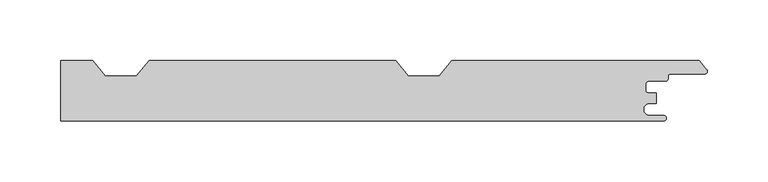
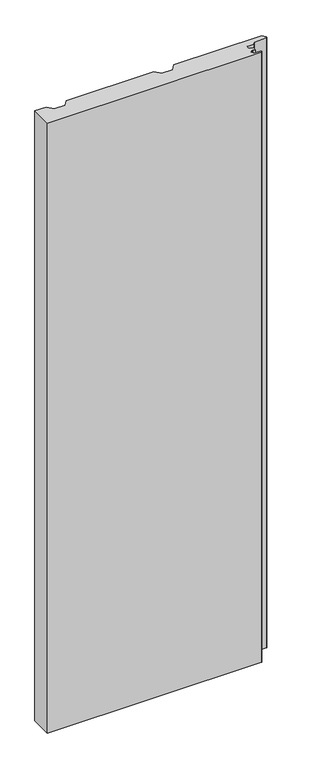
"""IFC4 building model written with IfcOpenShell, lengths in millimetres: proxy geometry."""

from ifc_helpers import new_model, si_unit, point, frame_2d, origin, origin_with_axes, place, context, project, spatial, polyline, circle_curve, trimmed, segment, composite_curve, outline, extrude, source, transform, mapped, element, save


def generic_models_223e8002(model_context):
    return source(origin(), model_context, "Body", "SweptSolid", [
        extrude(outline(composite_curve([segment(trimmed(circle_curve(frame_2d((497.8, -22.8)), 2.2), [point((497.8, -20.6))], [point((500.0, -22.8))], False, "CARTESIAN"), True, "CONTINUOUS"), segment(trimmed(circle_curve(frame_2d((497.8, -22.8)), 2.2), [point((500.0, -22.8))], [point((497.8, -25.0))], False, "CARTESIAN"), True, "CONTINUOUS"), segment(polyline([(497.8, -25.0), (0.0, -25.0), (0.0, 25.0), (26.6156808, 25.0), (37.0155837, 12.0), (62.6000971, 12.0), (73.0, 25.0), (276.6156808, 25.0), (287.0155837, 12.0), (312.6000971, 12.0), (323.0, 25.0), (527.1673425, 25.0), (533.3977704, 17.2119652)]), True, "CONTINUOUS"), segment(trimmed(circle_curve(frame_2d((531.7579459, 15.9001056)), 2.1), [point((533.3977704, 17.2119652))], [point((531.7579459, 13.8001056))], False, "CARTESIAN"), True, "CONTINUOUS"), segment(polyline([(531.7579459, 13.8001056), (503.3603917, 13.8001056)]), True, "CONTINUOUS"), segment(trimmed(circle_curve(frame_2d((503.3603917, 11.8001056)), 2.0), [point((503.3603917, 13.8001056))], [point((501.3603917, 11.8001056))], True, "CARTESIAN"), True, "CONTINUOUS"), segment(polyline([(501.3603917, 11.8001056), (501.3603917, 9.8331556)]), True, "CONTINUOUS"), segment(trimmed(circle_curve(frame_2d((499.3603917, 9.8331556)), 2.0), [point((501.3603917, 9.8331556))], [point((499.3603917, 7.8331556))], False, "CARTESIAN"), True, "CONTINUOUS"), segment(polyline([(499.3603917, 7.8331556), (485.634822, 7.8331556)]), True, "CONTINUOUS"), segment(trimmed(circle_curve(frame_2d((485.634822, 5.0831556)), 2.7499999), [point((485.634822, 7.8331556))], [point((482.8848221, 5.0831556))], True, "CARTESIAN"), True, "CONTINUOUS"), segment(polyline([(482.8848221, 5.0831556), (482.8848221, 0.5831555)]), True, "CONTINUOUS"), segment(trimmed(circle_curve(frame_2d((485.634822, 0.5831555)), 2.7499999), [point((482.8848221, 0.5831555))], [point((485.634822, -2.1668444))], True, "CARTESIAN"), True, "CONTINUOUS"), segment(polyline([(485.634822, -2.1668444), (491.826199, -2.1668444), (491.826199, -10.5637731), (486.1740239, -10.5637731)]), True, "CONTINUOUS"), segment(trimmed(circle_curve(frame_2d((486.1740239, -15.5818865)), 5.0181135), [point((486.1740239, -10.5637731))], [point((486.1740239, -20.6))], True, "CARTESIAN"), True, "CONTINUOUS"), segment(polyline([(486.1740239, -20.6), (497.8, -20.6)]), True, "CONTINUOUS")], self_intersect=False)), origin_with_axes(), (0.0, 0.0, 1.0), 1500.0),
    ])


if __name__ == "__main__":
    model = new_model("IFC4")
    model_context = context("Model", 3, world=origin())
    ifc_project = project(units=[si_unit("LENGTHUNIT", "METRE", prefix="MILLI")], contexts=[model_context])
    site = spatial("IfcSite", under=ifc_project)
    building = spatial("IfcBuilding", under=site)
    placement = place(None, origin())
    generic_models_shape = generic_models_223e8002(model_context)
    element("IfcBuildingElementProxy", 1, Name="Generic Models", at=placement, inside=building, context=model_context, shape_type="MappedRepresentation", body=[
        mapped(generic_models_shape, transform((0.0, 0.0, 0.0), x_axis=(1.0, 0.0, 0.0), y_axis=(0.0, 1.0, 0.0), z_axis=(0.0, 0.0, 1.0))),
    ])
    save(model, "model.ifc")
